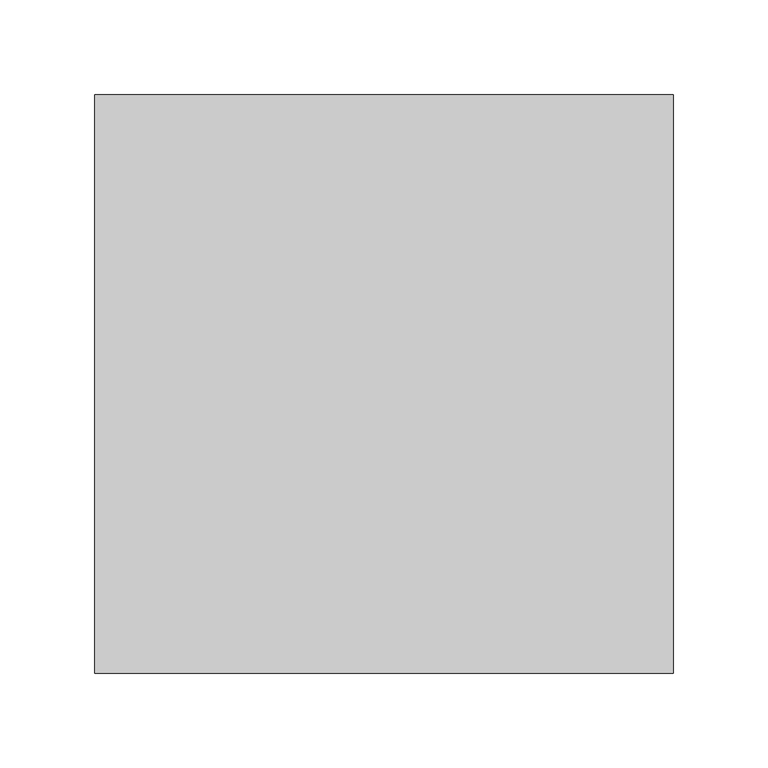
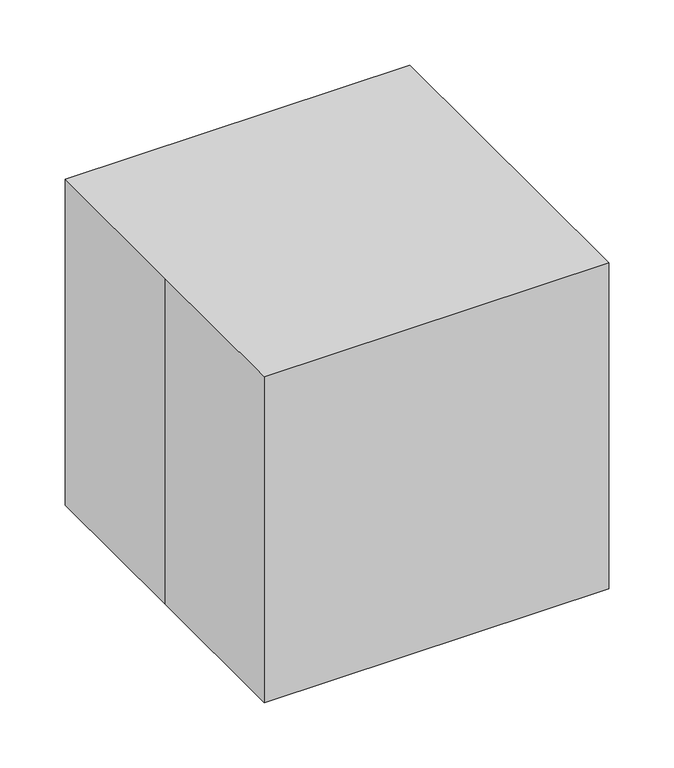
"""IFC4 building model written with IfcOpenShell, lengths in millimetres: proxy geometry."""

from ifc_helpers import new_model, si_unit, point, frame, frame_2d, origin, origin_with_axes, place, context, project, spatial, polyline, circle_curve, trimmed, segment, composite_curve, outline, extrude, source, transform, mapped, element, save


def specialty_equipment_995a6de6(model_context):
    return source(origin(), model_context, "Body", "SweptSolid", [
        extrude(outline(composite_curve([segment(trimmed(circle_curve(frame_2d((36.7498502, 48.0746823)), 25.4), [point((36.7498502, 22.6746823))], [point((36.7498502, 73.4746823))], False, "CARTESIAN"), True, "CONTINUOUS"), segment(trimmed(circle_curve(frame_2d((36.7498502, 48.0746823)), 25.4), [point((36.7498502, 73.4746823))], [point((36.7498502, 22.6746823))], False, "CARTESIAN"), True, "CONTINUOUS")], self_intersect=False)), frame((0.0, -108.4519286, 0.0), z_axis=(0.0, 1.0, 0.0), x_axis=(0.0, 0.0, 1.0)), (0.0, 0.0, 1.0), 25.1752914),
        extrude(outline(composite_curve([segment(trimmed(circle_curve(frame_2d((36.7498502, 48.0746823)), 19.05), [point((36.7498502, 29.0246823))], [point((36.7498502, 67.1246823))], False, "CARTESIAN"), True, "CONTINUOUS"), segment(trimmed(circle_curve(frame_2d((36.7498502, 48.0746823)), 19.05), [point((36.7498502, 67.1246823))], [point((36.7498502, 29.0246823))], False, "CARTESIAN"), True, "CONTINUOUS")], self_intersect=False)), frame((0.0, -83.2766372, 0.0), z_axis=(0.0, 1.0, 0.0), x_axis=(0.0, 0.0, 1.0)), (0.0, 0.0, 1.0), 32.4766372),
        extrude(outline(polyline([(101.6, 152.4), (101.6, -50.8), (0.0, -50.8), (0.0, 152.4), (101.6, 152.4)])), origin_with_axes(), (0.0, 0.0, 1.0), 76.2),
        extrude(outline(polyline([(-152.4, 152.4), (152.4, 152.4), (152.4, -152.4), (-152.4, -152.4), (-152.4, 0.0), (-152.4, 152.4)])), origin_with_axes(), (0.0, 0.0, 1.0), 304.8),
    ])


if __name__ == "__main__":
    model = new_model("IFC4")
    model_context = context("Model", 3, world=origin())
    ifc_project = project(units=[si_unit("LENGTHUNIT", "METRE", prefix="MILLI")], contexts=[model_context])
    site = spatial("IfcSite", under=ifc_project)
    building = spatial("IfcBuilding", under=site)
    placement = place(None, origin())
    specialty_equipment_shape = specialty_equipment_995a6de6(model_context)
    element("IfcBuildingElementProxy", 1, Name="Specialty Equipment", at=placement, inside=building, context=model_context, shape_type="MappedRepresentation", body=[
        mapped(specialty_equipment_shape, transform((0.0, 0.0, 0.0), x_axis=(1.0, 0.0, 0.0), y_axis=(0.0, 1.0, 0.0), z_axis=(0.0, 0.0, 1.0))),
    ])
    save(model, "model.ifc")
